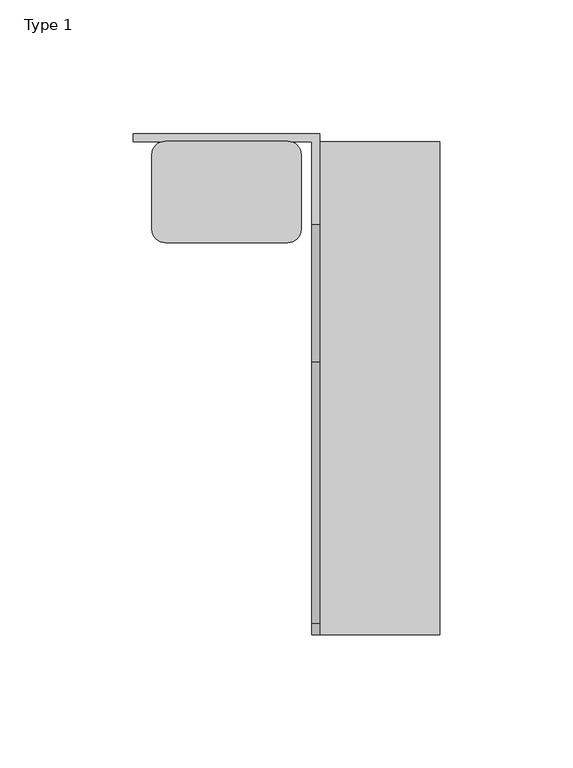
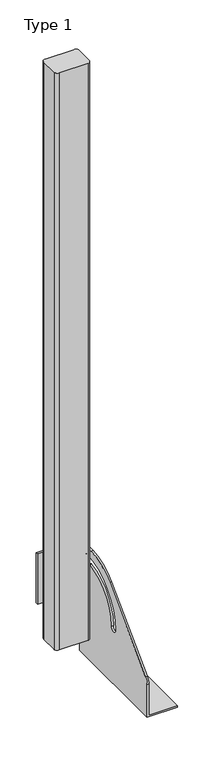
"""IFC4 building model written with IfcOpenShell, lengths in millimetres: railing geometry, Type 1."""

from ifc_helpers import new_model, si_unit, point, frame, frame_2d, origin, place, context, project, spatial, polyline, circle_curve, trimmed, segment, composite_curve, outline, extrude, source, transform, mapped, element, save
from ifc_brep_helpers import plane_surface, cylinder_surface, revolved_surface, advanced_brep


def type_1_9b7a35bf(model_context):
    return source(origin(), model_context, "Body", "SolidModel", [
        advanced_brep(
        [(60.0, 185.0, 185.0), (60.0, 185.0, 100.9768514), (60.0, 185.0, 0.0), (60.0, 0.0, 0.0), (60.0, 0.0, 54.9560848), (60.0, 4.3933983, 65.5626865), (60.0, 102.485009, 163.6542972), (60.0, 154.0180942, 185.0), (60.0, 98.1257325, 93.0361974), (60.0, 157.417745, 159.9373618), (60.0, 159.9090909, 157.7293746), (60.0, 159.9090909, 143.5676849), (60.0, 171.1212121, 143.5676849), (60.0, 171.1212121, 166.031677), (60.0, 165.5151515, 171.6377376), (60.0, 86.9136113, 93.0361974), (63.0, 0.0, 54.9560848), (63.0, 0.0, 2.5), (63.0, 185.0, 2.5), (63.0, 185.0, 100.9768514), (63.0, 188.0, 100.9768514), (63.0, 188.0, 185.0), (63.0, 154.0180942, 185.0), (63.0, 102.485009, 163.6542972), (63.0, 4.3933983, 65.5626865), (63.0, 98.1257325, 93.0361974), (63.0, 86.9136113, 93.0361974), (63.0, 165.5151515, 171.6377376), (63.0, 171.1212121, 166.031677), (63.0, 171.1212121, 143.5676849), (63.0, 159.9090909, 143.5676849), (63.0, 159.9090909, 157.7293746), (63.0, 157.417745, 159.9373618), (-7.0, 188.0, 185.0), (-7.0, 185.0, 185.0), (108.0, 0.0, 0.0), (108.0, 0.0, 2.5), (108.0, 185.0, 0.0), (108.0, 185.0, 2.5), (-7.0, 188.0, 100.9768514), (-7.0, 185.0, 100.9768514)],
        [
            (0, 1),
            (1, 2),
            (2, 3),
            (3, 4),
            (4, 5, circle_curve(frame((60.0, 15.0, 54.9560848), z_axis=(-1.0, 0.0, 0.0), x_axis=(0.0, 1.0, 0.0)), 15.0)),
            (5, 6),
            (6, 7, circle_curve(frame((60.0, 154.0180942, 112.1212121), z_axis=(-1.0, 0.0, 0.0), x_axis=(0.0, 1.0, 0.0)), 72.8787879)),
            (7, 0),
            (8, 9, circle_curve(frame((60.0, 165.5151515, 93.0361974), z_axis=(-1.0, 0.0, 0.0), x_axis=(0.0, 1.0, 0.0)), 67.389419)),
            (9, 10, circle_curve(frame((60.0, 157.6849895, 157.7293746), z_axis=(-1.0, 0.0, 0.0), x_axis=(0.0, 1.0, 0.0)), 2.2241014)),
            (10, 11),
            (11, 12, circle_curve(frame((60.0, 165.5151515, 143.5676849), z_axis=(1.0, 0.0, 0.0), x_axis=(0.0, 1.0, 0.0)), 5.6060606)),
            (12, 13),
            (13, 14, circle_curve(frame((60.0, 165.5151515, 166.031677), z_axis=(1.0, 0.0, 0.0), x_axis=(0.0, 1.0, 0.0)), 5.6060606)),
            (14, 15, circle_curve(frame((60.0, 165.5151515, 93.0361974), z_axis=(1.0, 0.0, 0.0), x_axis=(0.0, 1.0, 0.0)), 78.6015402)),
            (15, 8, circle_curve(frame((60.0, 92.5196719, 93.0361974), z_axis=(1.0, 0.0, 0.0), x_axis=(0.0, 1.0, 0.0)), 5.6060606)),
            (16, 17),
            (17, 18),
            (18, 19),
            (19, 20),
            (20, 21),
            (21, 22),
            (22, 23, circle_curve(frame((63.0, 154.0180942, 112.1212121), z_axis=(1.0, 0.0, 0.0), x_axis=(0.0, 1.0, 0.0)), 72.8787879)),
            (23, 24),
            (24, 16, circle_curve(frame((63.0, 15.0, 54.9560848), z_axis=(1.0, 0.0, 0.0), x_axis=(0.0, 1.0, 0.0)), 15.0)),
            (25, 26, circle_curve(frame((63.0, 92.5196719, 93.0361974), z_axis=(-1.0, 0.0, 0.0), x_axis=(0.0, 1.0, 0.0)), 5.6060606)),
            (26, 27, circle_curve(frame((63.0, 165.5151515, 93.0361974), z_axis=(-1.0, 0.0, 0.0), x_axis=(0.0, 1.0, 0.0)), 78.6015402)),
            (27, 28, circle_curve(frame((63.0, 165.5151515, 166.031677), z_axis=(-1.0, 0.0, 0.0), x_axis=(0.0, 1.0, 0.0)), 5.6060606)),
            (28, 29),
            (29, 30, circle_curve(frame((63.0, 165.5151515, 143.5676849), z_axis=(-1.0, 0.0, 0.0), x_axis=(0.0, 1.0, 0.0)), 5.6060606)),
            (30, 31),
            (31, 32, circle_curve(frame((63.0, 157.6849895, 157.7293746), z_axis=(1.0, 0.0, 0.0), x_axis=(0.0, 1.0, 0.0)), 2.2241014)),
            (32, 25, circle_curve(frame((63.0, 165.5151515, 93.0361974), z_axis=(1.0, 0.0, 0.0), x_axis=(0.0, 1.0, 0.0)), 67.389419)),
            (7, 22),
            (21, 33),
            (33, 34),
            (34, 0),
            (6, 23),
            (5, 24),
            (4, 16),
            (3, 35),
            (35, 36),
            (36, 17),
            (2, 37),
            (37, 35),
            (1, 19),
            (18, 38),
            (38, 37),
            (15, 26),
            (25, 8),
            (14, 27),
            (13, 28),
            (32, 9),
            (12, 29),
            (11, 30),
            (10, 31),
            (20, 39),
            (39, 33),
            (40, 1),
            (34, 40),
            (39, 40),
            (36, 38),
        ],
        [
            plane_surface(frame((60.0, 183.2270223, 185.0), z_axis=(-1.0, 0.0, 0.0), x_axis=(0.0, -1.0, 0.0))),
            plane_surface(frame((63.0, 183.2270223, 185.0), z_axis=(1.0, 0.0, 0.0), x_axis=(0.0, 1.0, 0.0))),
            plane_surface(frame((60.0, 185.0, 185.0), z_axis=(0.0, 0.0, 1.0), x_axis=(1.0, 0.0, 0.0))),
            cylinder_surface(frame((63.0, 154.0180942, 112.1212121), z_axis=(-1.0, 0.0, 0.0), x_axis=(0.0, 1.0, 0.0)), 72.8787879),
            plane_surface(frame((60.0, 102.485009, 163.6542972), z_axis=(0.0, -0.7071067811865421, 0.707106781186553), x_axis=(1.0, 0.0, 0.0))),
            cylinder_surface(frame((63.0, 15.0, 54.9560848), z_axis=(-1.0, 0.0, 0.0), x_axis=(0.0, 1.0, 0.0)), 15.0),
            plane_surface(frame((60.0, 0.0, 54.9560848), z_axis=(0.0, -1.0, 0.0), x_axis=(1.0, 0.0, 0.0))),
            plane_surface(frame((60.0, 0.0, 0.0), z_axis=(0.0, 0.0, -1.0), x_axis=(1.0, 0.0, 0.0))),
            plane_surface(frame((60.0, 185.0, 0.0), z_axis=(0.0, 1.0, 0.0), x_axis=(1.0, 0.0, 0.0))),
            revolved_surface(polyline([(63.0, 98.12573250000001, 93.0361974), (60.0, 98.12573250000001, 93.0361974)]), (63.0, 92.5196719, 93.0361974), (1.0, 0.0, 0.0)),
            revolved_surface(polyline([(63.0, 244.1166917, 93.0361974), (60.0, 244.1166917, 93.0361974)]), (63.0, 165.5151515, 93.0361974), (1.0, 0.0, 0.0)),
            revolved_surface(polyline([(63.0, 171.1212121, 166.031677), (60.0, 171.1212121, 166.031677)]), (63.0, 165.5151515, 166.031677), (1.0, 0.0, 0.0)),
            cylinder_surface(frame((63.0, 165.5151515, 93.0361974), z_axis=(-1.0, 0.0, 0.0), x_axis=(0.0, 1.0, 0.0)), 67.389419),
            plane_surface(frame((60.0, 171.1212121, 166.031677), z_axis=(0.0, -1.0, 0.0), x_axis=(1.0, 0.0, 0.0))),
            revolved_surface(polyline([(63.0, 171.1212121, 143.5676849), (60.0, 171.1212121, 143.5676849)]), (63.0, 165.5151515, 143.5676849), (1.0, 0.0, 0.0)),
            plane_surface(frame((60.0, 159.9090909, 143.5676849), z_axis=(0.0, 1.0, 0.0), x_axis=(1.0, 0.0, 0.0))),
            cylinder_surface(frame((63.0, 157.6849895, 157.7293746), z_axis=(-1.0, 0.0, 0.0), x_axis=(0.0, 1.0, 0.0)), 2.2241014),
            plane_surface(frame((-7.0, 188.0, 185.0), z_axis=(0.0, 1.0, 0.0), x_axis=(-1.0, 0.0, 0.0))),
            plane_surface(frame((-7.0, 185.0, 185.0), z_axis=(0.0, -1.0, 0.0), x_axis=(1.0, 0.0, 0.0))),
            plane_surface(frame((-7.0, 188.0, 185.0), z_axis=(-1.0, 0.0, 0.0), x_axis=(0.0, -1.0, 0.0))),
            plane_surface(frame((-7.0, 188.0, 100.9768514), z_axis=(0.0, 0.0, -1.0), x_axis=(0.0, -1.0, 0.0))),
            plane_surface(frame((108.0, 185.0, 2.5), z_axis=(0.0, 0.0, 1.0), x_axis=(0.0, -1.0, 0.0))),
            plane_surface(frame((108.0, 185.0, 2.5), z_axis=(1.0, 0.0, 0.0), x_axis=(0.0, 0.0, -1.0))),
        ],
        [
            (0, [[1, 2, 3, 4, 5, 6, 7, 8], [9, 10, 11, 12, 13, 14, 15, 16]]),
            (1, [[17, 18, 19, 20, 21, 22, 23, 24, 25], [26, 27, 28, 29, 30, 31, 32, 33]]),
            (2, [[34, -22, 35, 36, 37, -8]]),
            (3, [[38, -23, -34, -7]]),
            (4, [[39, -24, -38, -6]]),
            (5, [[40, -25, -39, -5]]),
            (6, [[41, 42, 43, -17, -40, -4]]),
            (7, [[44, 45, -41, -3]]),
            (8, [[-2, 46, -19, 47, 48, -44]]),
            (9, [[49, -26, 50, -16]]),
            (10, [[51, -27, -49, -15]]),
            (11, [[52, -28, -51, -14]]),
            (12, [[-50, -33, 53, -9]]),
            (13, [[54, -29, -52, -13]]),
            (14, [[55, -30, -54, -12]]),
            (15, [[56, -31, -55, -11]]),
            (16, [[-53, -32, -56, -10]]),
            (17, [[-21, 57, 58, -35]]),
            (18, [[59, -1, -37, 60]]),
            (19, [[61, -60, -36, -58]]),
            (20, [[-20, -46, -59, -61, -57]]),
            (21, [[-47, -18, -43, 62]]),
            (22, [[-42, -45, -48, -62]]),
        ],
    ),
        extrude(outline(composite_curve([segment(polyline([(5.0, 185.0), (51.0, 185.0)]), True, "CONTINUOUS"), segment(trimmed(circle_curve(frame_2d((51.0, 180.0)), 5.0), [point((51.0, 185.0))], [point((56.0, 180.0))], False, "CARTESIAN"), True, "CONTINUOUS"), segment(polyline([(56.0, 180.0), (56.0, 152.0)]), True, "CONTINUOUS"), segment(trimmed(circle_curve(frame_2d((51.0, 152.0)), 5.0), [point((56.0, 152.0))], [point((51.0, 147.0))], False, "CARTESIAN"), True, "CONTINUOUS"), segment(polyline([(51.0, 147.0), (5.0, 147.0)]), True, "CONTINUOUS"), segment(trimmed(circle_curve(frame_2d((5.0, 152.0)), 5.0), [point((5.0, 147.0))], [point((0.0, 152.0))], False, "CARTESIAN"), True, "CONTINUOUS"), segment(polyline([(0.0, 152.0), (0.0, 180.0)]), True, "CONTINUOUS"), segment(trimmed(circle_curve(frame_2d((5.0, 180.0)), 5.0), [point((0.0, 180.0))], [point((5.0, 185.0))], False, "CARTESIAN"), True, "CONTINUOUS")], self_intersect=False)), frame((0.0, 0.0, 43.0), z_axis=(0.0, 0.0, 1.0), x_axis=(1.0, 0.0, 0.0)), (0.0, 0.0, 1.0), 965.0),
    ])


if __name__ == "__main__":
    model = new_model("IFC4")
    model_context = context("Model", 3, world=origin())
    ifc_project = project(units=[si_unit("LENGTHUNIT", "METRE", prefix="MILLI")], contexts=[model_context])
    site = spatial("IfcSite", under=ifc_project)
    building = spatial("IfcBuilding", under=site)
    placement = place(None, origin())
    type_1_shape = type_1_9b7a35bf(model_context)
    element("IfcRailing", 1, ObjectType="Type 1", at=placement, inside=building, context=model_context, shape_type="MappedRepresentation", body=[
        mapped(type_1_shape, transform((0.0, 0.0, 0.0), x_axis=(1.0, 0.0, 0.0), y_axis=(0.0, 1.0, 0.0), z_axis=(0.0, 0.0, 1.0))),
    ])
    save(model, "model.ifc")
